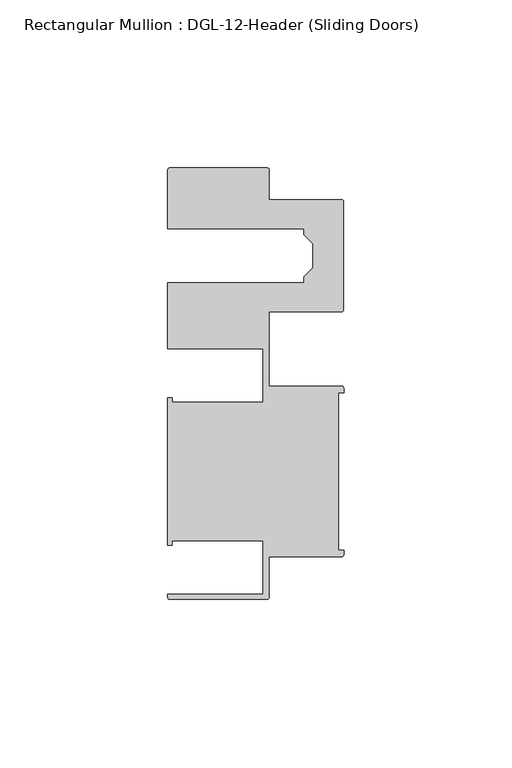
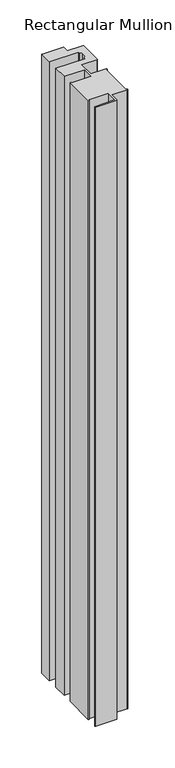
"""IFC4 building model written with IfcOpenShell, lengths in millimetres: member geometry, Rectangular Mullion : DGL-12-Header (Sliding Doors)."""

from ifc_helpers import new_model, si_unit, point, frame, frame_2d, origin, place, context, project, spatial, polyline, circle_curve, trimmed, segment, composite_curve, outline, extrude, source, transform, mapped, element, save


def rectangular_mullion_dgl_12_header_sliding_doors_67aab00b(model_context):
    return source(origin(), model_context, "Body", "SweptSolid", [
        extrude(outline(composite_curve([segment(polyline([(-0.5953125, -25.4), (-22.2332898, -25.4), (-22.2332898, -37.5043667)]), True, "CONTINUOUS"), segment(trimmed(circle_curve(frame_2d((-22.8286023, -37.5043667)), 0.5953125), [point((-22.2332898, -37.5043667))], [point((-22.8286023, -38.0996792))], False, "CARTESIAN"), True, "CONTINUOUS"), segment(polyline([(-22.8286023, -38.0996792), (-51.7968699, -38.0996792)]), True, "CONTINUOUS"), segment(trimmed(circle_curve(frame_2d((-51.7968699, -37.5043667)), 0.5953125), [point((-51.7968699, -38.0996792))], [point((-52.3921824, -37.5043667))], False, "CARTESIAN"), True, "CONTINUOUS"), segment(polyline([(-52.3921824, -37.5043667), (-52.3921824, -36.512516), (-24.0747898, -36.512516), (-24.0747898, -20.5916734), (-51.1362531, -20.5916734), (-51.1362531, -21.9710976), (-52.3921824, -21.9710976), (-52.3921824, 21.9710976), (-51.1362531, 21.9710976), (-51.1362531, 20.5916734), (-24.0747898, 20.5916734), (-24.0747898, 36.512516), (-52.3921824, 36.512516), (-52.3921824, 56.213352), (-11.8582575, 56.213352), (-11.8582575, 57.8946468), (-9.1582575, 60.5946468), (-9.1582575, 67.7941892), (-11.8582575, 70.4941892), (-11.8582575, 72.175484), (-52.3921824, 72.175484), (-52.3921824, 89.7299227)]), True, "CONTINUOUS"), segment(trimmed(circle_curve(frame_2d((-51.7968699, 89.7299227)), 0.5953125), [point((-52.3921824, 89.7299227))], [point((-51.7968699, 90.3252352))], False, "CARTESIAN"), True, "CONTINUOUS"), segment(polyline([(-51.7968699, 90.3252352), (-22.79857, 90.3252352)]), True, "CONTINUOUS"), segment(trimmed(circle_curve(frame_2d((-22.79857, 89.7299227)), 0.5953125), [point((-22.79857, 90.3252352))], [point((-22.2032575, 89.7299227))], False, "CARTESIAN"), True, "CONTINUOUS"), segment(polyline([(-22.2032575, 89.7299227), (-22.2032575, 80.875484), (-0.60357, 80.875484)]), True, "CONTINUOUS"), segment(trimmed(circle_curve(frame_2d((-0.60357, 80.2801715)), 0.5953125), [point((-0.60357, 80.875484))], [point((-0.0082575, 80.2801715))], False, "CARTESIAN"), True, "CONTINUOUS"), segment(polyline([(-0.0082575, 80.2801715), (-0.0082575, 48.1086645)]), True, "CONTINUOUS"), segment(trimmed(circle_curve(frame_2d((-0.60357, 48.1086645)), 0.5953125), [point((-0.0082575, 48.1086645))], [point((-0.60357, 47.513352))], False, "CARTESIAN"), True, "CONTINUOUS"), segment(polyline([(-0.60357, 47.513352), (-22.2332898, 47.513352), (-22.2332898, 25.4), (-0.5953125, 25.4)]), True, "CONTINUOUS"), segment(trimmed(circle_curve(frame_2d((-0.5953125, 24.8046875)), 0.5953125), [point((-0.5953125, 25.4))], [point((0.0, 24.8046875))], False, "CARTESIAN"), True, "CONTINUOUS"), segment(polyline([(0.0, 24.8046875), (0.0, 23.488176), (-1.5001875, 23.488176), (-1.5001875, -23.488176), (0.0, -23.488176), (0.0, -24.8046875)]), True, "CONTINUOUS"), segment(trimmed(circle_curve(frame_2d((-0.5953125, -24.8046875)), 0.5953125), [point((0.0, -24.8046875))], [point((-0.5953125, -25.4))], False, "CARTESIAN"), True, "CONTINUOUS")], self_intersect=False)), frame((0.0, 0.0, -906.5158171), z_axis=(0.0, 0.0, 1.0), x_axis=(1.0, 0.0, 0.0)), (0.0, 0.0, 1.0), 906.5158171),
    ])


if __name__ == "__main__":
    model = new_model("IFC4")
    model_context = context("Model", 3, world=origin())
    ifc_project = project(units=[si_unit("LENGTHUNIT", "METRE", prefix="MILLI")], contexts=[model_context])
    site = spatial("IfcSite", under=ifc_project)
    building = spatial("IfcBuilding", under=site)
    placement = place(None, origin())
    rectangular_mullion_dgl_12_header_sliding_doors_shape = rectangular_mullion_dgl_12_header_sliding_doors_67aab00b(model_context)
    element("IfcMember", 1, ObjectType="Rectangular Mullion : DGL-12-Header (Sliding Doors)", at=placement, inside=building, context=model_context, shape_type="MappedRepresentation", body=[
        mapped(rectangular_mullion_dgl_12_header_sliding_doors_shape, transform((0.0, 0.0, 0.0), x_axis=(1.0, 0.0, 0.0), y_axis=(0.0, 1.0, 0.0), z_axis=(0.0, 0.0, 1.0))),
    ])
    save(model, "model.ifc")
